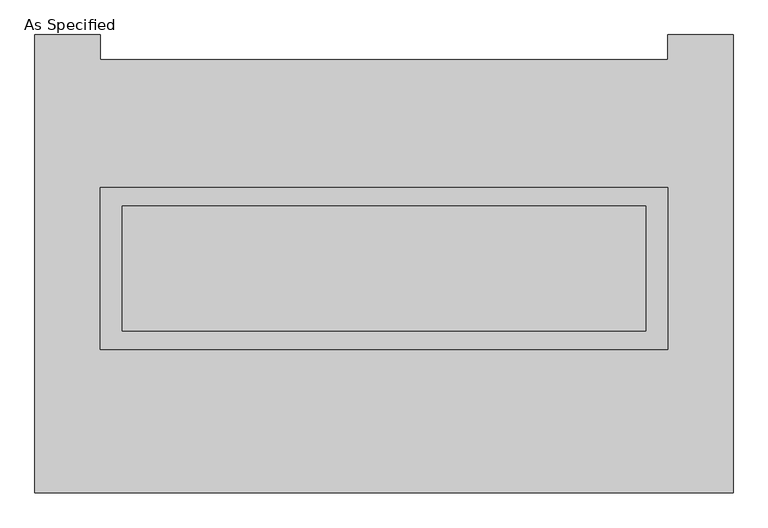
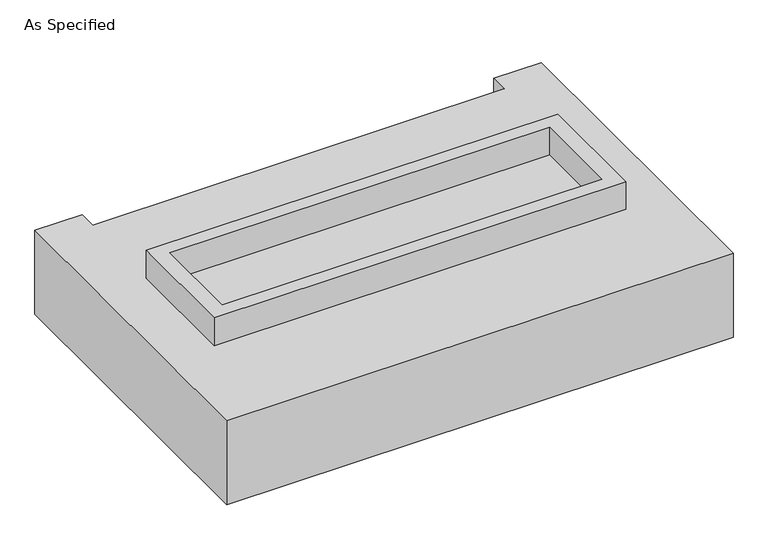
"""IFC4 building model written with IfcOpenShell, lengths in millimetres: proxy geometry, As Specified."""

from ifc_helpers import new_model, si_unit, frame, origin, place, context, project, spatial, polyline, outline, extrude, faceted_brep, source, transform, mapped, element, save


def as_specified_13bc573f(model_context):
    return source(origin(), model_context, "Body", "SolidModel", [
        extrude(outline(polyline([(1155.7, 361.95), (1155.7, -298.45), (-1155.7, -298.45), (-1155.7, 361.95), (1155.7, 361.95)]), holes=[polyline([(1066.8, 285.75), (-1066.8, 285.75), (-1066.8, -222.25), (1066.8, -222.25), (1066.8, 285.75)])]), frame((0.0, 0.0, -25.4), z_axis=(0.0, 0.0, 1.0), x_axis=(1.0, 0.0, 0.0)), (0.0, 0.0, 1.0), 165.1),
        extrude(outline(polyline([(1066.8, 285.75), (1066.8, -222.25), (-1066.8, -222.25), (-1066.8, 285.75), (1066.8, 285.75)])), frame((0.0, 0.0, -30.3609375), z_axis=(0.0, 0.0, 1.0), x_axis=(1.0, 0.0, 0.0)), (0.0, 0.0, 1.0), 4.9609375),
        faceted_brep([(1422.4, -882.65, -523.875), (-1422.4, -882.65, -523.875), (-1422.4, 984.25, -523.875), (-1155.7, 984.25, -523.875), (-1155.7, 882.65, -523.875), (1155.7, 882.65, -523.875), (1155.7, 984.25, -523.875), (1422.4, 984.25, -523.875), (-1422.4, -882.65, -25.4), (1422.4, -882.65, -25.4), (1422.4, 984.25, -25.4), (1155.7, 984.25, -25.4), (1155.7, 882.65, -25.4), (-1155.7, 882.65, -25.4), (-1155.7, 984.25, -25.4), (-1422.4, 984.25, -25.4), (-1155.7, -298.45, -25.4), (-1155.7, 361.95, -25.4), (1155.7, 361.95, -25.4), (1155.7, -298.45, -25.4), (1155.7, 361.95, -498.475), (-1155.7, 361.95, -498.475), (-1155.7, -298.45, -498.475), (1155.7, -298.45, -498.475)], [[[0, 1, 2, 3, 4, 5, 6, 7]], [[8, 9, 10, 11, 12, 13, 14, 15], [16, 17, 18, 19]], [[4, 13, 12, 5]], [[1, 8, 15, 2]], [[10, 9, 0, 7]], [[20, 21, 22, 23]], [[22, 21, 17, 16]], [[21, 20, 18, 17]], [[20, 23, 19, 18]], [[16, 19, 23, 22]], [[1, 0, 9, 8]], [[4, 3, 14, 13]], [[3, 2, 15, 14]], [[6, 5, 12, 11]], [[7, 6, 11, 10]]]),
    ])


if __name__ == "__main__":
    model = new_model("IFC4")
    model_context = context("Model", 3, world=origin())
    ifc_project = project(units=[si_unit("LENGTHUNIT", "METRE", prefix="MILLI")], contexts=[model_context])
    site = spatial("IfcSite", under=ifc_project)
    building = spatial("IfcBuilding", under=site)
    placement = place(None, origin())
    as_specified_shape = as_specified_13bc573f(model_context)
    element("IfcBuildingElementProxy", 1, Name="As Specified", ObjectType="As Specified", at=placement, inside=building, context=model_context, shape_type="MappedRepresentation", body=[
        mapped(as_specified_shape, transform((0.0, 0.0, 0.0), x_axis=(1.0, 0.0, 0.0), y_axis=(0.0, 1.0, 0.0), z_axis=(0.0, 0.0, 1.0))),
    ])
    save(model, "model.ifc")
